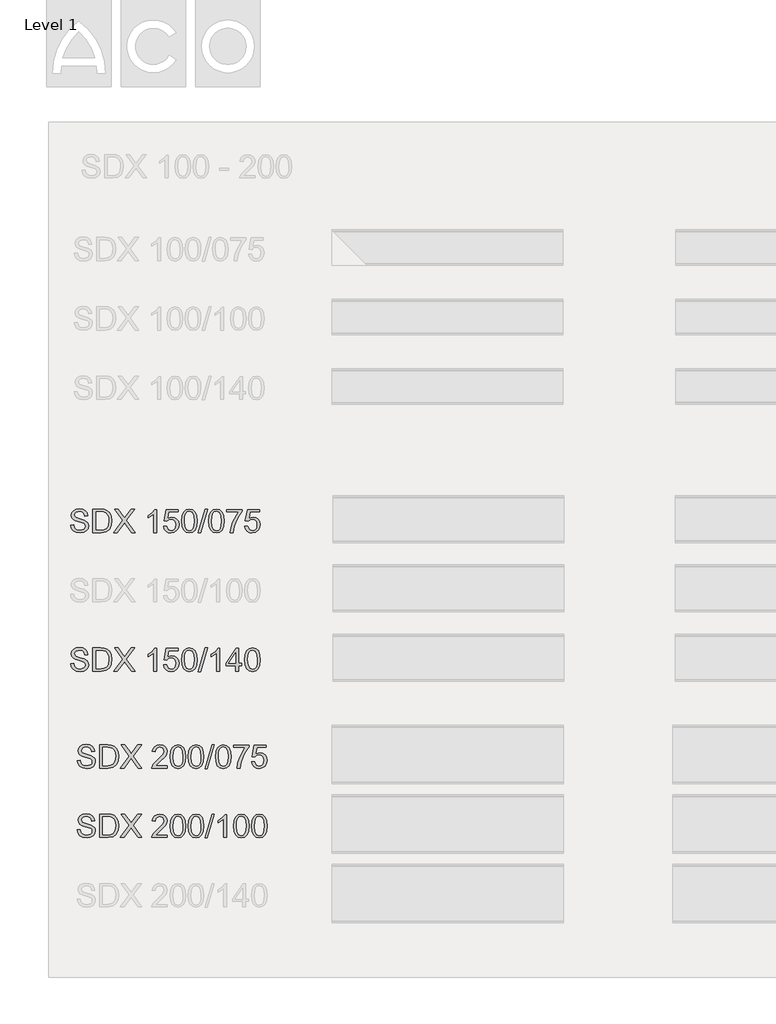
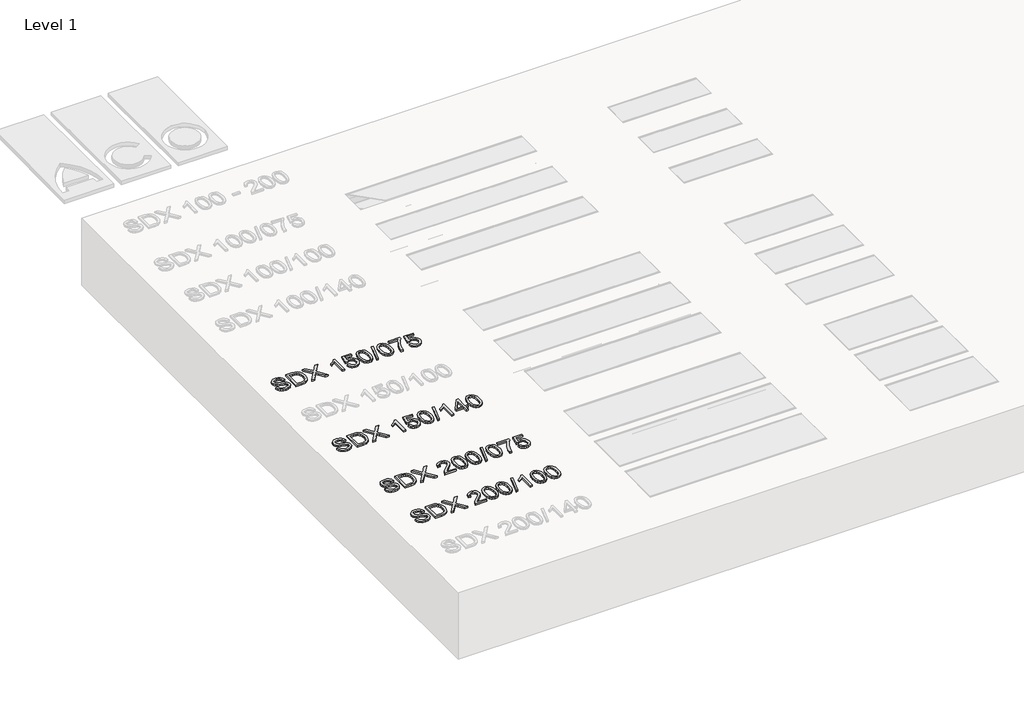
# One storey, part 2 of 3: 4 proxies.
"""IFC4 building model written with IfcOpenShell, lengths in millimetres."""

from ifc_helpers import new_model, si_unit, origin, origin_with_axes, place, context, project, spatial, polyline, outline, extrude, element, save

model = new_model("IFC4")

# Units and contexts
model_context = context("Model", 3, world=origin())
ifc_project = project(units=[si_unit("LENGTHUNIT", "METRE", prefix="MILLI")], contexts=[model_context])

# Site, building, storey
site = spatial("IfcSite", under=ifc_project)
building = spatial("IfcBuilding", under=site)
storey = spatial("IfcBuildingStorey", under=building, Name="Level 1", Elevation=0.0)

# Proxies
placement = place(None, origin())
element("IfcBuildingElementProxy", 1, Name="100mm ACO", ObjectType="100mm ACO", at=placement, inside=storey, context=model_context, shape_type="SweptSolid", body=[
    extrude(outline(polyline([(-12384.5989389, -487.7652473), (-12386.6216882, -478.8193109), (-12391.1183037, -472.4127253), (-12398.0887852, -468.5600427), (-12407.5331329, -467.2758151), (-12423.2494587, -471.2776574), (-12427.7897306, -476.1926472), (-12429.3031546, -482.9339324), (-12424.791987, -493.0476791), (-12406.5144821, -499.3778659), (-12386.5634796, -504.8931321), (-12373.335572, -513.8718108), (-12369.2100365, -520.99509), (-12367.834858, -530.1993271), (-12370.3560186, -542.1066267), (-12377.9195004, -551.8092751), (-12389.535757, -558.2595172), (-12404.2152418, -560.4095978), (-12422.3035687, -558.0230447), (-12435.1822246, -550.8633851), (-12443.0403875, -539.9056135), (-12446.0672355, -526.1247241), (-12433.0285059, -525.0187604), (-12430.383652, -535.9583418), (-12424.1371401, -543.456339), (-12415.2494123, -547.7892427), (-12404.6809108, -549.2335439), (-12387.451161, -544.4749897), (-12382.5179809, -538.8687726), (-12380.8735876, -531.5672295), (-12382.5725515, -524.1965637), (-12387.6694433, -519.1396904), (-12411.0838583, -511.6453313), (-12425.3777111, -507.2796852), (-12435.0221509, -501.3715109), (-12440.5119508, -493.6988879), (-12442.3418841, -484.039896), (-12440.0462819, -472.9802593), (-12433.1594753, -464.0161327), (-12422.3144828, -458.0788541), (-12408.1443233, -456.0997612), (-12393.4975808, -458.0934063), (-12382.0377598, -464.0743414), (-12374.4851922, -473.7224192), (-12371.5602093, -486.7174923), (-12384.5989389, -487.7652473)])), origin_with_axes(), (0.0, 0.0, 1.0), 10.0),
    extrude(outline(polyline([(-12349.2081014, -457.9624369), (-12314.9814363, -457.9624369), (-12299.4979449, -458.8937747), (-12287.0995101, -463.4194945), (-12276.7529289, -473.329511), (-12269.7824474, -487.8380081), (-12267.2503727, -507.7016977), (-12269.8552081, -527.9546574), (-12277.6697146, -544.2421553), (-12291.8362361, -554.9707305), (-12313.4971166, -558.5469222), (-12349.2081014, -558.5469222), (-12349.2081014, -457.9624369)]), holes=[polyline([(-12336.1693719, -547.3708683), (-12314.7194975, -547.3708683), (-12303.0050139, -546.5268434), (-12292.5420155, -541.9720193), (-12283.7670669, -529.8064189), (-12280.2891022, -507.4106546), (-12281.6279004, -493.0331269), (-12286.5465283, -480.8529744), (-12294.768495, -472.8056335), (-12303.8199345, -469.6914726), (-12315.1269578, -469.1384908), (-12336.1693719, -469.1384908), (-12336.1693719, -547.3708683)])]), origin_with_axes(), (0.0, 0.0, 1.0), 10.0),
    extrude(outline(polyline([(-12166.6658873, -558.5469222), (-12182.3822132, -558.5469222), (-12203.4246272, -529.8500754), (-12212.5342753, -517.0732846), (-12243.8796141, -558.5469222), (-12259.79967, -558.5469222), (-12220.654377, -506.304691), (-12256.0743187, -457.9624369), (-12240.3288886, -457.9624369), (-12217.9185721, -488.5510636), (-12212.6797969, -495.6816189), (-12184.448619, -457.9624369), (-12168.528563, -457.9624369), (-12204.8507382, -506.4211082), (-12166.6658873, -558.5469222)])), origin_with_axes(), (0.0, 0.0, 1.0), 10.0),
    extrude(outline(polyline([(-12073.5321046, -558.5469222), (-12086.5708342, -558.5469222), (-12086.5708342, -480.3145447), (-12110.7856177, -495.21595), (-12110.7856177, -485.9025717), (-12092.4062478, -474.1153273), (-12080.9828073, -459.8251125), (-12073.5321046, -459.8251125), (-12073.5321046, -558.5469222)])), origin_with_axes(), (0.0, 0.0, 1.0), 10.0),
    extrude(outline(polyline([(-12026.2085013, -496.0890792), (-12007.4071189, -491.4905986), (-11995.852709, -493.7279923), (-11985.8699317, -500.4401731), (-11978.9722109, -510.8777052), (-11976.6729706, -524.2911527), (-11979.0558858, -538.2102876), (-11986.2046312, -549.8738387), (-11997.2169734, -557.7756581), (-12011.1906788, -560.4095978), (-12022.9997514, -558.5905787), (-12033.1062221, -553.1335211), (-12040.3895749, -544.1111859), (-12043.7292942, -531.5963338), (-12030.6905646, -530.6067874), (-12023.8801567, -546.017518), (-12011.0451573, -551.0962196), (-12002.4302824, -549.2117157), (-11995.6198745, -543.558204), (-11991.1887438, -535.1470593), (-11989.7117002, -524.9896561), (-11991.1923818, -514.9632223), (-11995.6344267, -507.2942374), (-12002.4120922, -502.426542), (-12010.8996358, -500.8039769), (-12021.3044256, -503.1687019), (-12029.0025148, -510.2628767), (-12041.8666185, -508.7494528), (-12032.1166756, -459.8251125), (-11980.3983219, -459.8251125), (-11980.3983219, -469.1384908), (-12020.7951002, -469.1384908), (-12026.2085013, -496.0890792)])), origin_with_axes(), (0.0, 0.0, 1.0), 10.0),
    extrude(outline(polyline([(-11931.9978592, -457.9624369), (-11917.3165553, -461.1675487), (-11906.8299097, -470.7828841), (-11900.5379223, -486.8084432), (-11898.4405932, -509.244226), (-11900.608864, -531.8473585), (-11907.1136767, -547.7928807), (-11917.6712641, -557.2554186), (-11931.9978592, -560.4095978), (-11946.6536969, -557.2117621), (-11957.1221523, -547.6182549), (-11963.4032256, -531.6290762), (-11965.4969167, -509.244226), (-11963.3286458, -486.6447315), (-11956.8238332, -470.6519148), (-11946.2807979, -461.1348063), (-11931.9978592, -457.9624369)]), holes=[polyline([(-11931.9687549, -551.0962196), (-11923.0773891, -548.6478197), (-11916.6598894, -541.3026202), (-11912.7744644, -528.391222), (-11911.4793227, -509.244226), (-11913.7494587, -484.8839209), (-11920.603523, -471.6414612), (-11932.1142765, -467.2758151), (-11940.9874521, -469.7678714), (-11947.3503812, -477.2440403), (-11951.1812357, -490.2281993), (-11952.4581871, -509.244226), (-11950.1443947, -533.4444573), (-11943.2903304, -546.7305735), (-11931.9687549, -551.0962196)])]), origin_with_axes(), (0.0, 0.0, 1.0), 10.0),
    extrude(outline(polyline([(-11853.7363775, -457.9624369), (-11883.2190405, -560.4095978), (-11892.8525662, -560.4095978), (-11863.3699031, -457.9624369), (-11853.7363775, -457.9624369)])), origin_with_axes(), (0.0, 0.0, 1.0), 10.0),
    extrude(outline(polyline([(-11814.649293, -457.9624369), (-11799.9679891, -461.1675487), (-11789.4813435, -470.7828841), (-11783.1893561, -486.8084432), (-11781.092027, -509.244226), (-11783.2602978, -531.8473585), (-11789.7651105, -547.7928807), (-11800.3226979, -557.2554186), (-11814.649293, -560.4095978), (-11829.3051307, -557.2117621), (-11839.7735861, -547.6182549), (-11846.0546594, -531.6290762), (-11848.1483505, -509.244226), (-11845.9800796, -486.6447315), (-11839.475267, -470.6519148), (-11828.9322317, -461.1348063), (-11814.649293, -457.9624369)]), holes=[polyline([(-11814.6201887, -551.0962196), (-11805.7288229, -548.6478197), (-11799.3113232, -541.3026202), (-11795.4258982, -528.391222), (-11794.1307565, -509.244226), (-11796.4008925, -484.8839209), (-11803.2549568, -471.6414612), (-11814.7657103, -467.2758151), (-11823.6388859, -469.7678714), (-11830.001815, -477.2440403), (-11833.8326694, -490.2281993), (-11835.1096209, -509.244226), (-11832.7958285, -533.4444573), (-11825.9417642, -546.7305735), (-11814.6201887, -551.0962196)])]), origin_with_axes(), (0.0, 0.0, 1.0), 10.0),
    extrude(outline(polyline([(-11702.8596495, -467.2758151), (-11716.9716004, -486.9394126), (-11729.0389737, -509.3751954), (-11737.7957321, -533.5790647), (-11741.9758382, -558.5469222), (-11755.0145678, -558.5469222), (-11752.093223, -537.1916369), (-11744.3187349, -513.9300194), (-11719.1289571, -469.1384908), (-11769.915973, -469.1384908), (-11769.915973, -459.8251125), (-11702.8596495, -459.8251125), (-11702.8596495, -467.2758151)])), origin_with_axes(), (0.0, 0.0, 1.0), 10.0),
    extrude(outline(polyline([(-11674.1628027, -496.0890792), (-11655.3614203, -491.4905986), (-11643.8070104, -493.7279923), (-11633.8242331, -500.4401731), (-11626.9265123, -510.8777052), (-11624.627272, -524.2911527), (-11627.0101872, -538.2102876), (-11634.1589326, -549.8738387), (-11645.1712748, -557.7756581), (-11659.1449802, -560.4095978), (-11670.9540528, -558.5905787), (-11681.0605235, -553.1335211), (-11688.3438763, -544.1111859), (-11691.6835956, -531.5963338), (-11678.644866, -530.6067874), (-11671.8344581, -546.017518), (-11658.9994587, -551.0962196), (-11650.3845838, -549.2117157), (-11643.5741759, -543.558204), (-11639.1430452, -535.1470593), (-11637.6660016, -524.9896561), (-11639.1466832, -514.9632223), (-11643.5887281, -507.2942374), (-11650.3663936, -502.426542), (-11658.8539372, -500.8039769), (-11669.2587269, -503.1687019), (-11676.9568162, -510.2628767), (-11689.8209199, -508.7494528), (-11680.070977, -459.8251125), (-11628.3526233, -459.8251125), (-11628.3526233, -469.1384908), (-11668.7494016, -469.1384908), (-11674.1628027, -496.0890792)])), origin_with_axes(), (0.0, 0.0, 1.0), 10.0),
])
element("IfcBuildingElementProxy", 2, Name="100mm ACO", ObjectType="100mm ACO", at=placement, inside=storey, context=model_context, shape_type="SweptSolid", body=[
    extrude(outline(polyline([(-12384.5989389, -1087.7652473), (-12386.6216882, -1078.8193109), (-12391.1183037, -1072.4127253), (-12398.0887852, -1068.5600427), (-12407.5331329, -1067.2758151), (-12423.2494587, -1071.2776574), (-12427.7897306, -1076.1926472), (-12429.3031546, -1082.9339324), (-12424.791987, -1093.0476791), (-12406.5144821, -1099.3778659), (-12386.5634796, -1104.8931321), (-12373.335572, -1113.8718108), (-12369.2100365, -1120.99509), (-12367.834858, -1130.1993271), (-12370.3560186, -1142.1066267), (-12377.9195004, -1151.8092751), (-12389.535757, -1158.2595172), (-12404.2152418, -1160.4095978), (-12422.3035687, -1158.0230447), (-12435.1822246, -1150.8633851), (-12443.0403875, -1139.9056135), (-12446.0672355, -1126.1247241), (-12433.0285059, -1125.0187604), (-12430.383652, -1135.9583418), (-12424.1371401, -1143.456339), (-12415.2494123, -1147.7892427), (-12404.6809108, -1149.2335439), (-12387.451161, -1144.4749897), (-12382.5179809, -1138.8687726), (-12380.8735876, -1131.5672295), (-12382.5725515, -1124.1965637), (-12387.6694433, -1119.1396904), (-12411.0838583, -1111.6453313), (-12425.3777111, -1107.2796852), (-12435.0221509, -1101.3715109), (-12440.5119508, -1093.6988879), (-12442.3418841, -1084.039896), (-12440.0462819, -1072.9802593), (-12433.1594753, -1064.0161327), (-12422.3144828, -1058.0788541), (-12408.1443233, -1056.0997612), (-12393.4975808, -1058.0934063), (-12382.0377598, -1064.0743414), (-12374.4851922, -1073.7224192), (-12371.5602093, -1086.7174923), (-12384.5989389, -1087.7652473)])), origin_with_axes(), (0.0, 0.0, 1.0), 10.0),
    extrude(outline(polyline([(-12349.2081014, -1057.9624369), (-12314.9814363, -1057.9624369), (-12299.4979449, -1058.8937747), (-12287.0995101, -1063.4194945), (-12276.7529289, -1073.329511), (-12269.7824474, -1087.8380081), (-12267.2503727, -1107.7016977), (-12269.8552081, -1127.9546574), (-12277.6697146, -1144.2421553), (-12291.8362361, -1154.9707305), (-12313.4971166, -1158.5469222), (-12349.2081014, -1158.5469222), (-12349.2081014, -1057.9624369)]), holes=[polyline([(-12336.1693719, -1147.3708683), (-12314.7194975, -1147.3708683), (-12303.0050139, -1146.5268434), (-12292.5420155, -1141.9720193), (-12283.7670669, -1129.8064189), (-12280.2891022, -1107.4106546), (-12281.6279004, -1093.0331269), (-12286.5465283, -1080.8529744), (-12294.768495, -1072.8056335), (-12303.8199345, -1069.6914726), (-12315.1269578, -1069.1384908), (-12336.1693719, -1069.1384908), (-12336.1693719, -1147.3708683)])]), origin_with_axes(), (0.0, 0.0, 1.0), 10.0),
    extrude(outline(polyline([(-12166.6658873, -1158.5469222), (-12182.3822132, -1158.5469222), (-12203.4246272, -1129.8500754), (-12212.5342753, -1117.0732846), (-12243.8796141, -1158.5469222), (-12259.79967, -1158.5469222), (-12220.654377, -1106.304691), (-12256.0743187, -1057.9624369), (-12240.3288886, -1057.9624369), (-12217.9185721, -1088.5510636), (-12212.6797969, -1095.6816189), (-12184.448619, -1057.9624369), (-12168.528563, -1057.9624369), (-12204.8507382, -1106.4211082), (-12166.6658873, -1158.5469222)])), origin_with_axes(), (0.0, 0.0, 1.0), 10.0),
    extrude(outline(polyline([(-12073.5321046, -1158.5469222), (-12086.5708342, -1158.5469222), (-12086.5708342, -1080.3145447), (-12110.7856177, -1095.21595), (-12110.7856177, -1085.9025717), (-12092.4062478, -1074.1153273), (-12080.9828073, -1059.8251125), (-12073.5321046, -1059.8251125), (-12073.5321046, -1158.5469222)])), origin_with_axes(), (0.0, 0.0, 1.0), 10.0),
    extrude(outline(polyline([(-12026.2085013, -1096.0890792), (-12007.4071189, -1091.4905986), (-11995.852709, -1093.7279923), (-11985.8699317, -1100.4401731), (-11978.9722109, -1110.8777052), (-11976.6729706, -1124.2911527), (-11979.0558858, -1138.2102876), (-11986.2046312, -1149.8738387), (-11997.2169734, -1157.7756581), (-12011.1906788, -1160.4095978), (-12022.9997514, -1158.5905787), (-12033.1062221, -1153.1335211), (-12040.3895749, -1144.1111859), (-12043.7292942, -1131.5963338), (-12030.6905646, -1130.6067874), (-12023.8801567, -1146.017518), (-12011.0451573, -1151.0962196), (-12002.4302824, -1149.2117157), (-11995.6198745, -1143.558204), (-11991.1887438, -1135.1470593), (-11989.7117002, -1124.9896561), (-11991.1923818, -1114.9632223), (-11995.6344267, -1107.2942374), (-12002.4120922, -1102.426542), (-12010.8996358, -1100.8039769), (-12021.3044256, -1103.1687019), (-12029.0025148, -1110.2628767), (-12041.8666185, -1108.7494528), (-12032.1166756, -1059.8251125), (-11980.3983219, -1059.8251125), (-11980.3983219, -1069.1384908), (-12020.7951002, -1069.1384908), (-12026.2085013, -1096.0890792)])), origin_with_axes(), (0.0, 0.0, 1.0), 10.0),
    extrude(outline(polyline([(-11931.9978592, -1057.9624369), (-11917.3165553, -1061.1675487), (-11906.8299097, -1070.7828841), (-11900.5379223, -1086.8084432), (-11898.4405932, -1109.244226), (-11900.608864, -1131.8473585), (-11907.1136767, -1147.7928807), (-11917.6712641, -1157.2554186), (-11931.9978592, -1160.4095978), (-11946.6536969, -1157.2117621), (-11957.1221523, -1147.6182549), (-11963.4032256, -1131.6290762), (-11965.4969167, -1109.244226), (-11963.3286458, -1086.6447315), (-11956.8238332, -1070.6519148), (-11946.2807979, -1061.1348063), (-11931.9978592, -1057.9624369)]), holes=[polyline([(-11931.9687549, -1151.0962196), (-11923.0773891, -1148.6478197), (-11916.6598894, -1141.3026202), (-11912.7744644, -1128.391222), (-11911.4793227, -1109.244226), (-11913.7494587, -1084.8839209), (-11920.603523, -1071.6414612), (-11932.1142765, -1067.2758151), (-11940.9874521, -1069.7678714), (-11947.3503812, -1077.2440403), (-11951.1812357, -1090.2281993), (-11952.4581871, -1109.244226), (-11950.1443947, -1133.4444573), (-11943.2903304, -1146.7305735), (-11931.9687549, -1151.0962196)])]), origin_with_axes(), (0.0, 0.0, 1.0), 10.0),
    extrude(outline(polyline([(-11853.7363775, -1057.9624369), (-11883.2190405, -1160.4095978), (-11892.8525662, -1160.4095978), (-11863.3699031, -1057.9624369), (-11853.7363775, -1057.9624369)])), origin_with_axes(), (0.0, 0.0, 1.0), 10.0),
    extrude(outline(polyline([(-11799.7187835, -1158.5469222), (-11812.7575131, -1158.5469222), (-11812.7575131, -1080.3145447), (-11836.9722966, -1095.21595), (-11836.9722966, -1085.9025717), (-11818.5929266, -1074.1153273), (-11807.1694861, -1059.8251125), (-11799.7187835, -1059.8251125), (-11799.7187835, -1158.5469222)])), origin_with_axes(), (0.0, 0.0, 1.0), 10.0),
    extrude(outline(polyline([(-11704.7223251, -1134.3321387), (-11717.7610547, -1134.3321387), (-11717.7610547, -1158.5469222), (-11730.7997843, -1158.5469222), (-11730.7997843, -1134.3321387), (-11773.6413243, -1134.3321387), (-11773.6413243, -1125.0187604), (-11728.4714397, -1059.8251125), (-11717.7610547, -1059.8251125), (-11717.7610547, -1125.0187604), (-11704.7223251, -1125.0187604), (-11704.7223251, -1134.3321387)]), holes=[polyline([(-11730.7997843, -1125.0187604), (-11730.7997843, -1078.917538), (-11762.7272092, -1125.0187604), (-11730.7997843, -1125.0187604)])]), origin_with_axes(), (0.0, 0.0, 1.0), 10.0),
    extrude(outline(polyline([(-11658.1845381, -1057.9624369), (-11643.5032342, -1061.1675487), (-11633.0165885, -1070.7828841), (-11626.7246011, -1086.8084432), (-11624.627272, -1109.244226), (-11626.7955429, -1131.8473585), (-11633.3003555, -1147.7928807), (-11643.8579429, -1157.2554186), (-11658.1845381, -1160.4095978), (-11672.8403757, -1157.2117621), (-11683.3088312, -1147.6182549), (-11689.5899045, -1131.6290762), (-11691.6835956, -1109.244226), (-11689.5153247, -1086.6447315), (-11683.010512, -1070.6519148), (-11672.4674768, -1061.1348063), (-11658.1845381, -1057.9624369)]), holes=[polyline([(-11658.1554338, -1151.0962196), (-11649.264068, -1148.6478197), (-11642.8465683, -1141.3026202), (-11638.9611433, -1128.391222), (-11637.6660016, -1109.244226), (-11639.9361375, -1084.8839209), (-11646.7902019, -1071.6414612), (-11658.3009553, -1067.2758151), (-11667.1741309, -1069.7678714), (-11673.5370601, -1077.2440403), (-11677.3679145, -1090.2281993), (-11678.644866, -1109.244226), (-11676.3310736, -1133.4444573), (-11669.4770092, -1146.7305735), (-11658.1554338, -1151.0962196)])]), origin_with_axes(), (0.0, 0.0, 1.0), 10.0),
])
element("IfcBuildingElementProxy", 3, Name="100mm ACO", ObjectType="100mm ACO", at=placement, inside=storey, context=model_context, shape_type="SweptSolid", body=[
    extrude(outline(polyline([(-12355.3471713, -1506.9818364), (-12357.3699206, -1498.0359), (-12361.8665361, -1491.6293144), (-12368.8370176, -1487.7766318), (-12378.2813653, -1486.4924042), (-12393.9976911, -1490.4942464), (-12398.537963, -1495.4092363), (-12400.051387, -1502.1505214), (-12395.5402194, -1512.2642681), (-12377.2627145, -1518.5944549), (-12357.311712, -1524.1097211), (-12344.0838045, -1533.0883999), (-12339.9582689, -1540.211679), (-12338.5830904, -1549.4159161), (-12341.104251, -1561.3232158), (-12348.6677328, -1571.0258642), (-12360.2839894, -1577.4761062), (-12374.9634743, -1579.6261869), (-12393.0518011, -1577.2396337), (-12405.930457, -1570.0799742), (-12413.78862, -1559.1222026), (-12416.8154679, -1545.3413131), (-12403.7767383, -1544.2353495), (-12401.1318844, -1555.1749309), (-12394.8853725, -1562.672928), (-12385.9976447, -1567.0058317), (-12375.4291432, -1568.450133), (-12358.1993934, -1563.6915788), (-12353.2662133, -1558.0853616), (-12351.62182, -1550.7838186), (-12353.3207839, -1543.4131528), (-12358.4176757, -1538.3562794), (-12381.8320908, -1530.8619204), (-12396.1259436, -1526.4962743), (-12405.7703833, -1520.5881), (-12411.2601833, -1512.915477), (-12413.0901166, -1503.2564851), (-12410.7945144, -1492.1968484), (-12403.9077077, -1483.2327218), (-12393.0627153, -1477.2954432), (-12378.8925557, -1475.3163503), (-12364.2458132, -1477.3099953), (-12352.7859923, -1483.2909304), (-12345.2334246, -1492.9390082), (-12342.3084417, -1505.9340813), (-12355.3471713, -1506.9818364)])), origin_with_axes(), (0.0, 0.0, 1.0), 10.0),
    extrude(outline(polyline([(-12319.9563339, -1477.1790259), (-12285.7296687, -1477.1790259), (-12270.2461774, -1478.1103638), (-12257.8477425, -1482.6360835), (-12247.5011614, -1492.5461001), (-12240.5306798, -1507.0545972), (-12237.9986051, -1526.9182868), (-12240.6034406, -1547.1712465), (-12248.417947, -1563.4587443), (-12262.5844685, -1574.1873195), (-12284.2453491, -1577.7635113), (-12319.9563339, -1577.7635113), (-12319.9563339, -1477.1790259)]), holes=[polyline([(-12306.9176043, -1566.5874573), (-12285.46773, -1566.5874573), (-12273.7532464, -1565.7434324), (-12263.290248, -1561.1886084), (-12254.5152994, -1549.023008), (-12251.0373347, -1526.6272437), (-12252.3761328, -1512.249716), (-12257.2947607, -1500.0695635), (-12265.5167275, -1492.0222226), (-12274.568167, -1488.9080617), (-12285.8751903, -1488.3550799), (-12306.9176043, -1488.3550799), (-12306.9176043, -1566.5874573)])]), origin_with_axes(), (0.0, 0.0, 1.0), 10.0),
    extrude(outline(polyline([(-12137.4141198, -1577.7635113), (-12153.1304456, -1577.7635113), (-12174.1728596, -1549.0666645), (-12183.2825078, -1536.2898736), (-12214.6278465, -1577.7635113), (-12230.5479025, -1577.7635113), (-12191.4026094, -1525.52128), (-12226.8225512, -1477.1790259), (-12211.077121, -1477.1790259), (-12188.6668046, -1507.7676527), (-12183.4280293, -1514.8982079), (-12155.1968514, -1477.1790259), (-12139.2767954, -1477.1790259), (-12175.5989707, -1525.6376972), (-12137.4141198, -1577.7635113)])), origin_with_axes(), (0.0, 0.0, 1.0), 10.0),
    extrude(outline(polyline([(-12027.5162562, -1577.7635113), (-12094.5725797, -1577.7635113), (-12088.5770925, -1562.0762897), (-12066.4287148, -1540.3353723), (-12048.5441181, -1522.9018924), (-12042.5522688, -1513.8213486), (-12040.5549858, -1504.6825961), (-12046.0120433, -1491.6438666), (-12059.7929328, -1486.4924042), (-12073.9085217, -1491.6293144), (-12078.201407, -1498.0359), (-12079.6711745, -1506.9818364), (-12092.7099041, -1505.5848297), (-12089.5520868, -1493.4119532), (-12082.465188, -1484.484207), (-12072.1913676, -1479.0053212), (-12059.4727854, -1477.1790259), (-12046.0375096, -1479.2781741), (-12035.9419531, -1485.5756185), (-12029.6226804, -1494.8417023), (-12027.5162562, -1505.8467684), (-12029.2770668, -1515.8077175), (-12034.5594985, -1525.899636), (-12062.1503816, -1553.5778321), (-12077.8084988, -1568.450133), (-12027.5162562, -1568.450133), (-12027.5162562, -1577.7635113)])), origin_with_axes(), (0.0, 0.0, 1.0), 10.0),
    extrude(outline(polyline([(-11980.9784691, -1477.1790259), (-11966.2971652, -1480.3841378), (-11955.8105196, -1489.9994732), (-11949.5185322, -1506.0250323), (-11947.4212031, -1528.460815), (-11949.5894739, -1551.0639475), (-11956.0942866, -1567.0094698), (-11966.651874, -1576.4720076), (-11980.9784691, -1579.6261869), (-11995.6343068, -1576.4283512), (-12006.1027622, -1566.8348439), (-12012.3838355, -1550.8456652), (-12014.4775266, -1528.460815), (-12012.3092557, -1505.8613206), (-12005.8044431, -1489.8685038), (-11995.2614079, -1480.3513954), (-11980.9784691, -1477.1790259)]), holes=[polyline([(-11980.9493648, -1570.3128086), (-11972.057999, -1567.8644088), (-11965.6404993, -1560.5192093), (-11961.7550743, -1547.6078111), (-11960.4599326, -1528.460815), (-11962.7300686, -1504.10051), (-11969.5841329, -1490.8580503), (-11981.0948864, -1486.4924042), (-11989.968062, -1488.9844605), (-11996.3309911, -1496.4606294), (-12000.1618456, -1509.4447884), (-12001.438797, -1528.460815), (-11999.1250046, -1552.6610464), (-11992.2709403, -1565.9471626), (-11980.9493648, -1570.3128086)])]), origin_with_axes(), (0.0, 0.0, 1.0), 10.0),
    extrude(outline(polyline([(-11902.7460917, -1477.1790259), (-11888.0647878, -1480.3841378), (-11877.5781421, -1489.9994732), (-11871.2861547, -1506.0250323), (-11869.1888256, -1528.460815), (-11871.3570965, -1551.0639475), (-11877.8619091, -1567.0094698), (-11888.4194965, -1576.4720076), (-11902.7460917, -1579.6261869), (-11917.4019293, -1576.4283512), (-11927.8703848, -1566.8348439), (-11934.151458, -1550.8456652), (-11936.2451491, -1528.460815), (-11934.0768783, -1505.8613206), (-11927.5720656, -1489.8685038), (-11917.0290304, -1480.3513954), (-11902.7460917, -1477.1790259)]), holes=[polyline([(-11902.7169874, -1570.3128086), (-11893.8256215, -1567.8644088), (-11887.4081218, -1560.5192093), (-11883.5226968, -1547.6078111), (-11882.2275552, -1528.460815), (-11884.4976911, -1504.10051), (-11891.3517554, -1490.8580503), (-11902.8625089, -1486.4924042), (-11911.7356845, -1488.9844605), (-11918.0986137, -1496.4606294), (-11921.9294681, -1509.4447884), (-11923.2064196, -1528.460815), (-11920.8926271, -1552.6610464), (-11914.0385628, -1565.9471626), (-11902.7169874, -1570.3128086)])]), origin_with_axes(), (0.0, 0.0, 1.0), 10.0),
    extrude(outline(polyline([(-11824.4846099, -1477.1790259), (-11853.967273, -1579.6261869), (-11863.6007986, -1579.6261869), (-11834.1181355, -1477.1790259), (-11824.4846099, -1477.1790259)])), origin_with_axes(), (0.0, 0.0, 1.0), 10.0),
    extrude(outline(polyline([(-11785.3975255, -1477.1790259), (-11770.7162216, -1480.3841378), (-11760.2295759, -1489.9994732), (-11753.9375885, -1506.0250323), (-11751.8402594, -1528.460815), (-11754.0085303, -1551.0639475), (-11760.5133429, -1567.0094698), (-11771.0709303, -1576.4720076), (-11785.3975255, -1579.6261869), (-11800.0533631, -1576.4283512), (-11810.5218186, -1566.8348439), (-11816.8028918, -1550.8456652), (-11818.8965829, -1528.460815), (-11816.7283121, -1505.8613206), (-11810.2234994, -1489.8685038), (-11799.6804642, -1480.3513954), (-11785.3975255, -1477.1790259)]), holes=[polyline([(-11785.3684212, -1570.3128086), (-11776.4770553, -1567.8644088), (-11770.0595556, -1560.5192093), (-11766.1741306, -1547.6078111), (-11764.878989, -1528.460815), (-11767.1491249, -1504.10051), (-11774.0031892, -1490.8580503), (-11785.5139427, -1486.4924042), (-11794.3871183, -1488.9844605), (-11800.7500475, -1496.4606294), (-11804.5809019, -1509.4447884), (-11805.8578534, -1528.460815), (-11803.5440609, -1552.6610464), (-11796.6899966, -1565.9471626), (-11785.3684212, -1570.3128086)])]), origin_with_axes(), (0.0, 0.0, 1.0), 10.0),
    extrude(outline(polyline([(-11673.6078819, -1486.4924042), (-11687.7198328, -1506.1560017), (-11699.7872061, -1528.5917844), (-11708.5439645, -1552.7956538), (-11712.7240707, -1577.7635113), (-11725.7628002, -1577.7635113), (-11722.8414554, -1556.4082259), (-11715.0669674, -1533.1466085), (-11689.8771896, -1488.3550799), (-11740.6642055, -1488.3550799), (-11740.6642055, -1479.0417016), (-11673.6078819, -1479.0417016), (-11673.6078819, -1486.4924042)])), origin_with_axes(), (0.0, 0.0, 1.0), 10.0),
    extrude(outline(polyline([(-11644.9110351, -1515.3056682), (-11626.1096527, -1510.7071877), (-11614.5552428, -1512.9445813), (-11604.5724655, -1519.6567621), (-11597.6747447, -1530.0942943), (-11595.3755044, -1543.5077418), (-11597.7584196, -1557.4268767), (-11604.907165, -1569.0904277), (-11615.9195072, -1576.9922471), (-11629.8932127, -1579.6261869), (-11641.7022853, -1577.8071677), (-11651.8087559, -1572.3501101), (-11659.0921088, -1563.3277749), (-11662.431828, -1550.8129229), (-11649.3930984, -1549.8233764), (-11642.5826906, -1565.234107), (-11629.7476911, -1570.3128086), (-11621.1328162, -1568.4283048), (-11614.3224084, -1562.7747931), (-11609.8912776, -1554.3636483), (-11608.414234, -1544.2062452), (-11609.8949156, -1534.1798114), (-11614.3369605, -1526.5108265), (-11621.114626, -1521.6431311), (-11629.6021696, -1520.020566), (-11640.0069594, -1522.3852909), (-11647.7050486, -1529.4794658), (-11660.5691523, -1527.9660418), (-11650.8192095, -1479.0417016), (-11599.1008558, -1479.0417016), (-11599.1008558, -1488.3550799), (-11639.497634, -1488.3550799), (-11644.9110351, -1515.3056682)])), origin_with_axes(), (0.0, 0.0, 1.0), 10.0),
])
element("IfcBuildingElementProxy", 4, Name="100mm ACO", ObjectType="100mm ACO", at=placement, inside=storey, context=model_context, shape_type="SweptSolid", body=[
    extrude(outline(polyline([(-12355.3471713, -1806.9818364), (-12357.3699206, -1798.0359), (-12361.8665361, -1791.6293144), (-12368.8370176, -1787.7766318), (-12378.2813653, -1786.4924042), (-12393.9976911, -1790.4942464), (-12398.537963, -1795.4092363), (-12400.051387, -1802.1505214), (-12395.5402194, -1812.2642681), (-12377.2627145, -1818.5944549), (-12357.311712, -1824.1097211), (-12344.0838045, -1833.0883999), (-12339.9582689, -1840.211679), (-12338.5830904, -1849.4159161), (-12341.104251, -1861.3232158), (-12348.6677328, -1871.0258642), (-12360.2839894, -1877.4761062), (-12374.9634743, -1879.6261869), (-12393.0518011, -1877.2396337), (-12405.930457, -1870.0799742), (-12413.78862, -1859.1222026), (-12416.8154679, -1845.3413131), (-12403.7767383, -1844.2353495), (-12401.1318844, -1855.1749309), (-12394.8853725, -1862.672928), (-12385.9976447, -1867.0058317), (-12375.4291432, -1868.450133), (-12358.1993934, -1863.6915788), (-12353.2662133, -1858.0853616), (-12351.62182, -1850.7838186), (-12353.3207839, -1843.4131528), (-12358.4176757, -1838.3562794), (-12381.8320908, -1830.8619204), (-12396.1259436, -1826.4962743), (-12405.7703833, -1820.5881), (-12411.2601833, -1812.915477), (-12413.0901166, -1803.2564851), (-12410.7945144, -1792.1968484), (-12403.9077077, -1783.2327218), (-12393.0627153, -1777.2954432), (-12378.8925557, -1775.3163503), (-12364.2458132, -1777.3099953), (-12352.7859923, -1783.2909304), (-12345.2334246, -1792.9390082), (-12342.3084417, -1805.9340813), (-12355.3471713, -1806.9818364)])), origin_with_axes(), (0.0, 0.0, 1.0), 10.0),
    extrude(outline(polyline([(-12319.9563339, -1777.1790259), (-12285.7296687, -1777.1790259), (-12270.2461774, -1778.1103638), (-12257.8477425, -1782.6360835), (-12247.5011614, -1792.5461001), (-12240.5306798, -1807.0545972), (-12237.9986051, -1826.9182868), (-12240.6034406, -1847.1712465), (-12248.417947, -1863.4587443), (-12262.5844685, -1874.1873195), (-12284.2453491, -1877.7635113), (-12319.9563339, -1877.7635113), (-12319.9563339, -1777.1790259)]), holes=[polyline([(-12306.9176043, -1866.5874573), (-12285.46773, -1866.5874573), (-12273.7532464, -1865.7434324), (-12263.290248, -1861.1886084), (-12254.5152994, -1849.023008), (-12251.0373347, -1826.6272437), (-12252.3761328, -1812.249716), (-12257.2947607, -1800.0695635), (-12265.5167275, -1792.0222226), (-12274.568167, -1788.9080617), (-12285.8751903, -1788.3550799), (-12306.9176043, -1788.3550799), (-12306.9176043, -1866.5874573)])]), origin_with_axes(), (0.0, 0.0, 1.0), 10.0),
    extrude(outline(polyline([(-12137.4141198, -1877.7635113), (-12153.1304456, -1877.7635113), (-12174.1728596, -1849.0666645), (-12183.2825078, -1836.2898736), (-12214.6278465, -1877.7635113), (-12230.5479025, -1877.7635113), (-12191.4026094, -1825.52128), (-12226.8225512, -1777.1790259), (-12211.077121, -1777.1790259), (-12188.6668046, -1807.7676527), (-12183.4280293, -1814.8982079), (-12155.1968514, -1777.1790259), (-12139.2767954, -1777.1790259), (-12175.5989707, -1825.6376972), (-12137.4141198, -1877.7635113)])), origin_with_axes(), (0.0, 0.0, 1.0), 10.0),
    extrude(outline(polyline([(-12027.5162562, -1877.7635113), (-12094.5725797, -1877.7635113), (-12088.5770925, -1862.0762897), (-12066.4287148, -1840.3353723), (-12048.5441181, -1822.9018924), (-12042.5522688, -1813.8213486), (-12040.5549858, -1804.6825961), (-12046.0120433, -1791.6438666), (-12059.7929328, -1786.4924042), (-12073.9085217, -1791.6293144), (-12078.201407, -1798.0359), (-12079.6711745, -1806.9818364), (-12092.7099041, -1805.5848297), (-12089.5520868, -1793.4119532), (-12082.465188, -1784.484207), (-12072.1913676, -1779.0053212), (-12059.4727854, -1777.1790259), (-12046.0375096, -1779.2781741), (-12035.9419531, -1785.5756185), (-12029.6226804, -1794.8417023), (-12027.5162562, -1805.8467684), (-12029.2770668, -1815.8077175), (-12034.5594985, -1825.899636), (-12062.1503816, -1853.5778321), (-12077.8084988, -1868.450133), (-12027.5162562, -1868.450133), (-12027.5162562, -1877.7635113)])), origin_with_axes(), (0.0, 0.0, 1.0), 10.0),
    extrude(outline(polyline([(-11980.9784691, -1777.1790259), (-11966.2971652, -1780.3841378), (-11955.8105196, -1789.9994732), (-11949.5185322, -1806.0250323), (-11947.4212031, -1828.460815), (-11949.5894739, -1851.0639475), (-11956.0942866, -1867.0094698), (-11966.651874, -1876.4720076), (-11980.9784691, -1879.6261869), (-11995.6343068, -1876.4283512), (-12006.1027622, -1866.8348439), (-12012.3838355, -1850.8456652), (-12014.4775266, -1828.460815), (-12012.3092557, -1805.8613206), (-12005.8044431, -1789.8685038), (-11995.2614079, -1780.3513954), (-11980.9784691, -1777.1790259)]), holes=[polyline([(-11980.9493648, -1870.3128086), (-11972.057999, -1867.8644088), (-11965.6404993, -1860.5192093), (-11961.7550743, -1847.6078111), (-11960.4599326, -1828.460815), (-11962.7300686, -1804.10051), (-11969.5841329, -1790.8580503), (-11981.0948864, -1786.4924042), (-11989.968062, -1788.9844605), (-11996.3309911, -1796.4606294), (-12000.1618456, -1809.4447884), (-12001.438797, -1828.460815), (-11999.1250046, -1852.6610464), (-11992.2709403, -1865.9471626), (-11980.9493648, -1870.3128086)])]), origin_with_axes(), (0.0, 0.0, 1.0), 10.0),
    extrude(outline(polyline([(-11902.7460917, -1777.1790259), (-11888.0647878, -1780.3841378), (-11877.5781421, -1789.9994732), (-11871.2861547, -1806.0250323), (-11869.1888256, -1828.460815), (-11871.3570965, -1851.0639475), (-11877.8619091, -1867.0094698), (-11888.4194965, -1876.4720076), (-11902.7460917, -1879.6261869), (-11917.4019293, -1876.4283512), (-11927.8703848, -1866.8348439), (-11934.151458, -1850.8456652), (-11936.2451491, -1828.460815), (-11934.0768783, -1805.8613206), (-11927.5720656, -1789.8685038), (-11917.0290304, -1780.3513954), (-11902.7460917, -1777.1790259)]), holes=[polyline([(-11902.7169874, -1870.3128086), (-11893.8256215, -1867.8644088), (-11887.4081218, -1860.5192093), (-11883.5226968, -1847.6078111), (-11882.2275552, -1828.460815), (-11884.4976911, -1804.10051), (-11891.3517554, -1790.8580503), (-11902.8625089, -1786.4924042), (-11911.7356845, -1788.9844605), (-11918.0986137, -1796.4606294), (-11921.9294681, -1809.4447884), (-11923.2064196, -1828.460815), (-11920.8926271, -1852.6610464), (-11914.0385628, -1865.9471626), (-11902.7169874, -1870.3128086)])]), origin_with_axes(), (0.0, 0.0, 1.0), 10.0),
    extrude(outline(polyline([(-11824.4846099, -1777.1790259), (-11853.967273, -1879.6261869), (-11863.6007986, -1879.6261869), (-11834.1181355, -1777.1790259), (-11824.4846099, -1777.1790259)])), origin_with_axes(), (0.0, 0.0, 1.0), 10.0),
    extrude(outline(polyline([(-11770.4670159, -1877.7635113), (-11783.5057455, -1877.7635113), (-11783.5057455, -1799.5311338), (-11807.720529, -1814.432539), (-11807.720529, -1805.1191607), (-11789.3411591, -1793.3319164), (-11777.9177185, -1779.0417016), (-11770.4670159, -1779.0417016), (-11770.4670159, -1877.7635113)])), origin_with_axes(), (0.0, 0.0, 1.0), 10.0),
    extrude(outline(polyline([(-11707.165148, -1777.1790259), (-11692.4838441, -1780.3841378), (-11681.9971984, -1789.9994732), (-11675.705211, -1806.0250323), (-11673.6078819, -1828.460815), (-11675.7761528, -1851.0639475), (-11682.2809654, -1867.0094698), (-11692.8385528, -1876.4720076), (-11707.165148, -1879.6261869), (-11721.8209856, -1876.4283512), (-11732.2894411, -1866.8348439), (-11738.5705144, -1850.8456652), (-11740.6642055, -1828.460815), (-11738.4959346, -1805.8613206), (-11731.9911219, -1789.8685038), (-11721.4480867, -1780.3513954), (-11707.165148, -1777.1790259)]), holes=[polyline([(-11707.1360437, -1870.3128086), (-11698.2446779, -1867.8644088), (-11691.8271782, -1860.5192093), (-11687.9417532, -1847.6078111), (-11686.6466115, -1828.460815), (-11688.9167474, -1804.10051), (-11695.7708118, -1790.8580503), (-11707.2815652, -1786.4924042), (-11716.1547409, -1788.9844605), (-11722.51767, -1796.4606294), (-11726.3485244, -1809.4447884), (-11727.6254759, -1828.460815), (-11725.3116835, -1852.6610464), (-11718.4576192, -1865.9471626), (-11707.1360437, -1870.3128086)])]), origin_with_axes(), (0.0, 0.0, 1.0), 10.0),
    extrude(outline(polyline([(-11628.9327705, -1777.1790259), (-11614.2514666, -1780.3841378), (-11603.764821, -1789.9994732), (-11597.4728336, -1806.0250323), (-11595.3755044, -1828.460815), (-11597.5437753, -1851.0639475), (-11604.048588, -1867.0094698), (-11614.6061754, -1876.4720076), (-11628.9327705, -1879.6261869), (-11643.5886082, -1876.4283512), (-11654.0570636, -1866.8348439), (-11660.3381369, -1850.8456652), (-11662.431828, -1828.460815), (-11660.2635571, -1805.8613206), (-11653.7587445, -1789.8685038), (-11643.2157092, -1780.3513954), (-11628.9327705, -1777.1790259)]), holes=[polyline([(-11628.9036662, -1870.3128086), (-11620.0123004, -1867.8644088), (-11613.5948007, -1860.5192093), (-11609.7093757, -1847.6078111), (-11608.414234, -1828.460815), (-11610.68437, -1804.10051), (-11617.5384343, -1790.8580503), (-11629.0491878, -1786.4924042), (-11637.9223634, -1788.9844605), (-11644.2852925, -1796.4606294), (-11648.1161469, -1809.4447884), (-11649.3930984, -1828.460815), (-11647.079306, -1852.6610464), (-11640.2252417, -1865.9471626), (-11628.9036662, -1870.3128086)])]), origin_with_axes(), (0.0, 0.0, 1.0), 10.0),
])

save(model, "model.ifc")
